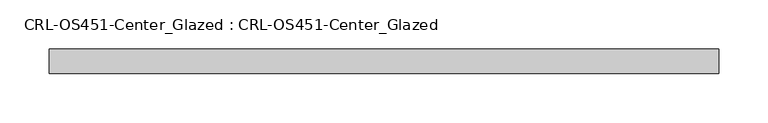
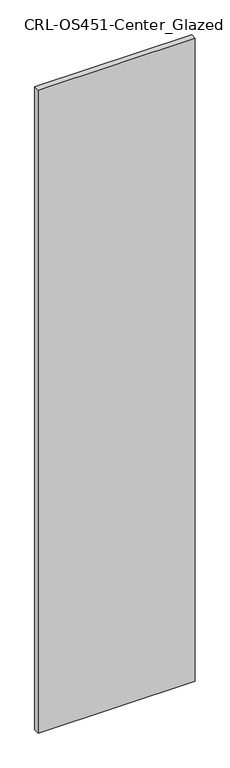
"""IFC4 building model written with IfcOpenShell, lengths in millimetres: plate geometry, CRL-OS451-Center_Glazed : CRL-OS451-Center_Glazed."""

from ifc_helpers import new_model, si_unit, origin, origin_with_axes, place, context, project, spatial, polyline, outline, extrude, source, transform, mapped, element, save


def crl_os451_center_glazed_crl_os451_center_glazed_e0c47d2c(model_context):
    return source(origin(), model_context, "Body", "SweptSolid", [
        extrude(outline(polyline([(-341.6728813, 12.709956), (341.6728813, 12.709956), (341.6728813, -12.709956), (-341.6728813, -12.709956), (-341.6728813, 12.709956)])), origin_with_axes(), (0.0, 0.0, 1.0), 2955.9185784),
    ])


if __name__ == "__main__":
    model = new_model("IFC4")
    model_context = context("Model", 3, world=origin())
    ifc_project = project(units=[si_unit("LENGTHUNIT", "METRE", prefix="MILLI")], contexts=[model_context])
    site = spatial("IfcSite", under=ifc_project)
    building = spatial("IfcBuilding", under=site)
    placement = place(None, origin())
    crl_os451_center_glazed_crl_os451_center_glazed_shape = crl_os451_center_glazed_crl_os451_center_glazed_e0c47d2c(model_context)
    element("IfcPlate", 1, ObjectType="CRL-OS451-Center_Glazed : CRL-OS451-Center_Glazed", at=placement, inside=building, context=model_context, shape_type="MappedRepresentation", body=[
        mapped(crl_os451_center_glazed_crl_os451_center_glazed_shape, transform((0.0, 0.0, 0.0), x_axis=(1.0, 0.0, 0.0), y_axis=(0.0, 1.0, 0.0), z_axis=(0.0, 0.0, 1.0))),
    ])
    save(model, "model.ifc")
